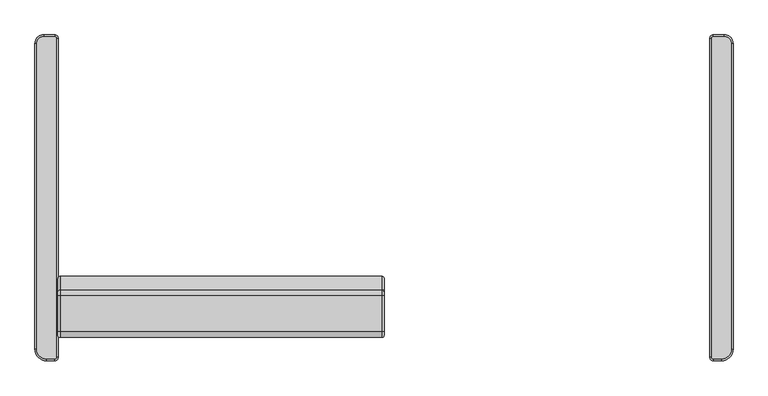
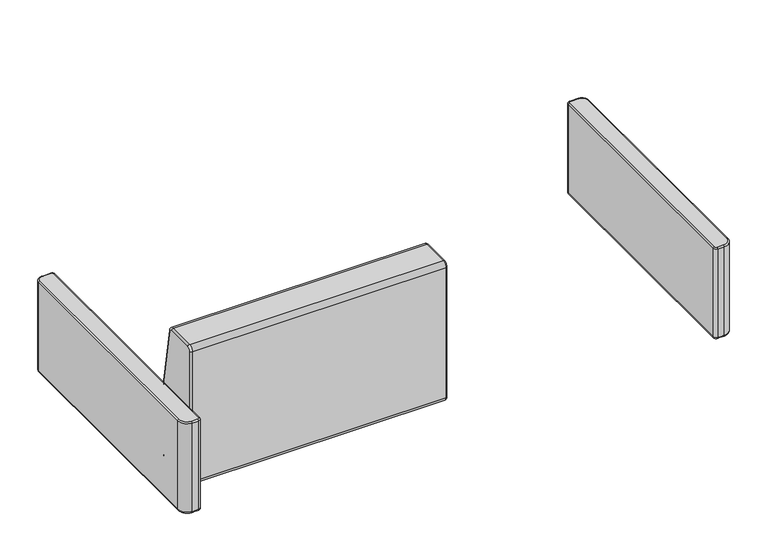
"""IFC4 building model written with IfcOpenShell, lengths in millimetres: furniture geometry."""

from ifc_helpers import new_model, si_unit, point, frame, origin, place, context, project, spatial, circle_curve, ellipse_curve, trimmed, source, transform, mapped, element, save
from ifc_brep_helpers import plane_surface, cylinder_surface, revolved_surface, advanced_brep


def furniture_845a343e(model_context):
    return source(origin(), model_context, "Body", "AdvancedBrep", [
        advanced_brep(
        [(-715.1646314, -347.967307, 584.1999879), (-715.1646314, 347.992693, 584.1999879), (-718.8135784, 351.6416401, 584.1999879), (-742.9390268, 351.6416401, 584.1999879), (-758.0179739, 336.562693, 584.1999879), (-758.0179739, -330.195514, 584.1999879), (-736.5972339, -351.616254, 584.1999879), (-718.8135784, -351.616254, 584.1999879), (-718.8135784, -351.616254, 317.4999879), (-736.5972339, -351.616254, 317.4999879), (-758.0179739, -330.195514, 317.4999879), (-758.0179739, 336.562693, 317.4999879), (-742.9390268, 351.6416401, 317.4999879), (-718.8135784, 351.6416401, 317.4999879), (-715.1646314, 347.992693, 317.4999879), (-715.1646314, -347.967307, 317.4999879), (-718.8135784, -355.587307, 321.4710409), (-711.1935784, -347.967307, 321.4710409), (-711.1935784, -347.967307, 580.2289349), (-718.8135784, -355.587307, 580.2289349), (-736.5972339, -355.587307, 321.4710409), (-736.5972339, -355.587307, 580.2289349), (-761.9890268, -330.195514, 321.4710409), (-761.9890268, -330.195514, 580.2289349), (-761.9890268, 336.562693, 321.4710409), (-761.9890268, 336.562693, 580.2289349), (-742.9390268, 355.612693, 321.4710409), (-742.9390268, 355.612693, 580.2289349), (-718.8135784, 355.612693, 321.4710409), (-718.8135784, 355.612693, 580.2289349), (-711.1935784, 347.992693, 321.4710409), (-711.1935784, 347.992693, 580.2289349)],
        [
            (0, 1),
            (1, 2, circle_curve(frame((-718.8135784, 347.992693, 584.1999879), z_axis=(0.0, 0.0, 1.0), x_axis=(0.0, 1.0, 0.0)), 3.648947)),
            (2, 3),
            (3, 4, circle_curve(frame((-742.9390268, 336.562693, 584.1999879), z_axis=(0.0, 0.0, 1.0), x_axis=(-1.0, 0.0, 0.0)), 15.078947)),
            (4, 5),
            (5, 6, circle_curve(frame((-736.5972339, -330.195514, 584.1999879), z_axis=(0.0, 0.0, 1.0), x_axis=(0.0, -1.0, 0.0)), 21.42074)),
            (6, 7),
            (7, 0, circle_curve(frame((-718.8135784, -347.967307, 584.1999879), z_axis=(0.0, 0.0, 1.0), x_axis=(1.0, 0.0, 0.0)), 3.648947)),
            (8, 9),
            (9, 10, circle_curve(frame((-736.5972339, -330.195514, 317.4999879), z_axis=(0.0, 0.0, -1.0), x_axis=(0.0, -1.0, 0.0)), 21.42074)),
            (10, 11),
            (11, 12, circle_curve(frame((-742.9390268, 336.562693, 317.4999879), z_axis=(0.0, 0.0, -1.0), x_axis=(-1.0, 0.0, 0.0)), 15.078947)),
            (12, 13),
            (13, 14, circle_curve(frame((-718.8135784, 347.992693, 317.4999879), z_axis=(0.0, 0.0, -1.0), x_axis=(0.0, 1.0, 0.0)), 3.648947)),
            (14, 15),
            (15, 8, circle_curve(frame((-718.8135784, -347.967307, 317.4999879), z_axis=(0.0, 0.0, -1.0), x_axis=(1.0, 0.0, 0.0)), 3.648947)),
            (16, 8, circle_curve(frame((-718.8135784, -351.616254, 321.4710409), z_axis=(1.0, 0.0, 0.0), x_axis=(0.0, 1.0, 0.0)), 3.971053)),
            (15, 17, circle_curve(frame((-715.1646314, -347.967307, 321.4710409), z_axis=(0.0, -1.0, 0.0), x_axis=(-1.0, 0.0, 0.0)), 3.971053)),
            (17, 16, circle_curve(frame((-718.8135784, -347.967307, 321.4710409), z_axis=(0.0, 0.0, -1.0), x_axis=(1.0, 0.0, 0.0)), 7.62)),
            (17, 18),
            (18, 19, circle_curve(frame((-718.8135784, -347.967307, 580.2289349), z_axis=(0.0, 0.0, -1.0), x_axis=(1.0, 0.0, 0.0)), 7.62)),
            (19, 16),
            (18, 0, circle_curve(frame((-715.1646314, -347.967307, 580.2289349), z_axis=(0.0, -1.0, 0.0), x_axis=(-1.0, 0.0, 0.0)), 3.971053)),
            (7, 19, circle_curve(frame((-718.8135784, -351.616254, 580.2289349), z_axis=(1.0, 0.0, 0.0), x_axis=(0.0, 1.0, 0.0)), 3.971053)),
            (16, 20),
            (20, 9, circle_curve(frame((-736.5972339, -351.616254, 321.4710409), z_axis=(1.0, 0.0, 0.0), x_axis=(0.0, 1.0, 0.0)), 3.971053)),
            (19, 21),
            (21, 20),
            (6, 21, circle_curve(frame((-736.5972339, -351.616254, 580.2289349), z_axis=(1.0, 0.0, 0.0), x_axis=(0.0, 1.0, 0.0)), 3.971053)),
            (20, 22, circle_curve(frame((-736.5972339, -330.195514, 321.4710409), z_axis=(0.0, 0.0, -1.0), x_axis=(0.0, -1.0, 0.0)), 25.3917929)),
            (22, 10, circle_curve(frame((-758.0179739, -330.195514, 321.4710409), z_axis=(0.0, -1.0, 0.0), x_axis=(1.0, 0.0, 0.0)), 3.971053)),
            (21, 23, circle_curve(frame((-736.5972339, -330.195514, 580.2289349), z_axis=(0.0, 0.0, -1.0), x_axis=(0.0, -1.0, 0.0)), 25.3917929)),
            (23, 22),
            (5, 23, circle_curve(frame((-758.0179739, -330.195514, 580.2289349), z_axis=(0.0, -1.0, 0.0), x_axis=(1.0, 0.0, 0.0)), 3.971053)),
            (22, 24),
            (24, 11, circle_curve(frame((-758.0179739, 336.562693, 321.4710409), z_axis=(0.0, -1.0, 0.0), x_axis=(1.0, 0.0, 0.0)), 3.971053)),
            (23, 25),
            (25, 24),
            (4, 25, circle_curve(frame((-758.0179739, 336.562693, 580.2289349), z_axis=(0.0, -1.0, 0.0), x_axis=(1.0, 0.0, 0.0)), 3.971053)),
            (24, 26, circle_curve(frame((-742.9390268, 336.562693, 321.4710409), z_axis=(0.0, 0.0, -1.0), x_axis=(-1.0, 0.0, 0.0)), 19.05)),
            (26, 12, circle_curve(frame((-742.9390268, 351.6416401, 321.4710409), z_axis=(-1.0, 0.0, 0.0), x_axis=(0.0, -1.0, 0.0)), 3.971053)),
            (25, 27, circle_curve(frame((-742.9390268, 336.562693, 580.2289349), z_axis=(0.0, 0.0, -1.0), x_axis=(-1.0, 0.0, 0.0)), 19.05)),
            (27, 26),
            (3, 27, circle_curve(frame((-742.9390268, 351.6416401, 580.2289349), z_axis=(-1.0, 0.0, 0.0), x_axis=(0.0, -1.0, 0.0)), 3.971053)),
            (26, 28),
            (28, 13, circle_curve(frame((-718.8135784, 351.6416401, 321.4710409), z_axis=(-1.0, 0.0, 0.0), x_axis=(0.0, -1.0, 0.0)), 3.971053)),
            (27, 29),
            (29, 28),
            (2, 29, circle_curve(frame((-718.8135784, 351.6416401, 580.2289349), z_axis=(-1.0, 0.0, 0.0), x_axis=(0.0, -1.0, 0.0)), 3.971053)),
            (28, 30, circle_curve(frame((-718.8135784, 347.992693, 321.4710409), z_axis=(0.0, 0.0, -1.0), x_axis=(0.0, 1.0, 0.0)), 7.62)),
            (30, 14, circle_curve(frame((-715.1646314, 347.992693, 321.4710409), z_axis=(0.0, 1.0, 0.0), x_axis=(-1.0, 0.0, 0.0)), 3.971053)),
            (29, 31, circle_curve(frame((-718.8135784, 347.992693, 580.2289349), z_axis=(0.0, 0.0, -1.0), x_axis=(0.0, 1.0, 0.0)), 7.62)),
            (31, 30),
            (1, 31, circle_curve(frame((-715.1646314, 347.992693, 580.2289349), z_axis=(0.0, 1.0, 0.0), x_axis=(-1.0, 0.0, 0.0)), 3.971053)),
            (30, 17),
            (31, 18),
        ],
        [
            plane_surface(frame((-715.1764939, -330.195514, 584.1999879), z_axis=(0.0, 0.0, 1.0), x_axis=(0.0, -1.0, 0.0))),
            plane_surface(frame((-715.1764939, -330.195514, 317.4999879), z_axis=(0.0, 0.0, -1.0), x_axis=(0.0, 1.0, 0.0))),
            revolved_surface(trimmed(ellipse_curve(frame((-715.1646314, -347.967307, 321.4710409), z_axis=(0.0, -1.0, 0.0), x_axis=(-1.0, 0.0, 0.0)), 3.971053, 3.971053), [point((-715.1646314, -347.967307, 317.4999879))], [point((-711.1935784, -347.967307, 321.4710409))], True, "CARTESIAN"), (-718.8135784, -347.967307, 581.025), (0.0, 0.0, 1.0)),
            cylinder_surface(frame((-718.8135784, -347.967307, 581.025), z_axis=(0.0, 0.0, 1.0), x_axis=(1.0, 0.0, 0.0)), 7.62),
            revolved_surface(trimmed(ellipse_curve(frame((-715.1646314, -347.967307, 580.2289349), z_axis=(0.0, -1.0, 0.0), x_axis=(-1.0, 0.0, 0.0)), 3.971053, 3.971053), [point((-711.1935784, -347.967307, 580.2289349))], [point((-715.1646314, -347.967307, 584.1999879))], True, "CARTESIAN"), (-718.8135784, -347.967307, 581.025), (0.0, 0.0, 1.0)),
            cylinder_surface(frame((-718.8135784, -351.616254, 321.4710409), z_axis=(1.0, 0.0, 0.0), x_axis=(0.0, 1.0, 0.0)), 3.971053),
            plane_surface(frame((-718.8135784, -355.587307, 321.4710409), z_axis=(0.0, -1.0, 0.0), x_axis=(-1.0, 0.0, 0.0))),
            cylinder_surface(frame((-718.8135784, -351.616254, 580.2289349), z_axis=(1.0, 0.0, 0.0), x_axis=(0.0, 1.0, 0.0)), 3.971053),
            revolved_surface(trimmed(ellipse_curve(frame((-736.5972339, -351.616254, 321.4710409), z_axis=(-1.0, 0.0, 0.0), x_axis=(0.0, 1.0, 0.0)), 3.971053, 3.971053), [point((-736.5972339, -351.616254, 317.4999879))], [point((-736.5972339, -355.587307, 321.4710409))], True, "CARTESIAN"), (-736.5972339, -330.195514, 581.025), (0.0, 0.0, 1.0)),
            cylinder_surface(frame((-736.5972339, -330.195514, 581.025), z_axis=(0.0, 0.0, 1.0), x_axis=(0.0, -1.0, 0.0)), 25.3917929),
            revolved_surface(trimmed(ellipse_curve(frame((-736.5972339, -351.616254, 580.2289349), z_axis=(-1.0, 0.0, 0.0), x_axis=(0.0, 1.0, 0.0)), 3.971053, 3.971053), [point((-736.5972339, -355.587307, 580.2289349))], [point((-736.5972339, -351.616254, 584.1999879))], True, "CARTESIAN"), (-736.5972339, -330.195514, 581.025), (0.0, 0.0, 1.0)),
            cylinder_surface(frame((-758.0179739, -330.195514, 321.4710409), z_axis=(0.0, -1.0, 0.0), x_axis=(1.0, 0.0, 0.0)), 3.971053),
            plane_surface(frame((-761.9890268, -330.195514, 321.4710409), z_axis=(-1.0, 0.0, 0.0), x_axis=(0.0, 1.0, 0.0))),
            cylinder_surface(frame((-758.0179739, -330.195514, 580.2289349), z_axis=(0.0, -1.0, 0.0), x_axis=(1.0, 0.0, 0.0)), 3.971053),
            revolved_surface(trimmed(ellipse_curve(frame((-758.0179739, 336.562693, 321.4710409), z_axis=(0.0, 1.0, 0.0), x_axis=(1.0, 0.0, 0.0)), 3.971053, 3.971053), [point((-758.0179739, 336.562693, 317.4999879))], [point((-761.9890268, 336.562693, 321.4710409))], True, "CARTESIAN"), (-742.9390268, 336.562693, 581.025), (0.0, 0.0, 1.0)),
            cylinder_surface(frame((-742.9390268, 336.562693, 581.025), z_axis=(0.0, 0.0, 1.0), x_axis=(-1.0, 0.0, 0.0)), 19.05),
            revolved_surface(trimmed(ellipse_curve(frame((-758.0179739, 336.562693, 580.2289349), z_axis=(0.0, 1.0, 0.0), x_axis=(1.0, 0.0, 0.0)), 3.971053, 3.971053), [point((-761.9890268, 336.562693, 580.2289349))], [point((-758.0179739, 336.562693, 584.1999879))], True, "CARTESIAN"), (-742.9390268, 336.562693, 581.025), (0.0, 0.0, 1.0)),
            cylinder_surface(frame((-742.9390268, 351.6416401, 321.4710409), z_axis=(-1.0, 0.0, 0.0), x_axis=(0.0, -1.0, 0.0)), 3.971053),
            plane_surface(frame((-742.9390268, 355.612693, 321.4710409), z_axis=(0.0, 1.0, 0.0), x_axis=(1.0, 0.0, 0.0))),
            cylinder_surface(frame((-742.9390268, 351.6416401, 580.2289349), z_axis=(-1.0, 0.0, 0.0), x_axis=(0.0, -1.0, 0.0)), 3.971053),
            revolved_surface(trimmed(ellipse_curve(frame((-718.8135784, 351.6416401, 321.4710409), z_axis=(1.0, 0.0, 0.0), x_axis=(0.0, -1.0, 0.0)), 3.971053, 3.971053), [point((-718.8135784, 351.6416401, 317.4999879))], [point((-718.8135784, 355.612693, 321.4710409))], True, "CARTESIAN"), (-718.8135784, 347.992693, 581.025), (0.0, 0.0, 1.0)),
            cylinder_surface(frame((-718.8135784, 347.992693, 581.025), z_axis=(0.0, 0.0, 1.0), x_axis=(0.0, 1.0, 0.0)), 7.62),
            revolved_surface(trimmed(ellipse_curve(frame((-718.8135784, 351.6416401, 580.2289349), z_axis=(1.0, 0.0, 0.0), x_axis=(0.0, -1.0, 0.0)), 3.971053, 3.971053), [point((-718.8135784, 355.612693, 580.2289349))], [point((-718.8135784, 351.6416401, 584.1999879))], True, "CARTESIAN"), (-718.8135784, 347.992693, 581.025), (0.0, 0.0, 1.0)),
            cylinder_surface(frame((-715.1646314, 347.992693, 321.4710409), z_axis=(0.0, 1.0, 0.0), x_axis=(-1.0, 0.0, 0.0)), 3.971053),
            plane_surface(frame((-711.1935784, 347.992693, 321.4710409), z_axis=(1.0, 0.0, 0.0), x_axis=(0.0, -1.0, 0.0))),
            cylinder_surface(frame((-715.1646314, 347.992693, 580.2289349), z_axis=(0.0, 1.0, 0.0), x_axis=(-1.0, 0.0, 0.0)), 3.971053),
        ],
        [
            (0, [[1, 2, 3, 4, 5, 6, 7, 8]]),
            (1, [[9, 10, 11, 12, 13, 14, 15, 16]]),
            (2, [[17, -16, 18, 19]]),
            (3, [[20, 21, 22, -19]]),
            (4, [[23, -8, 24, -21]]),
            (5, [[25, 26, -9, -17]]),
            (6, [[27, 28, -25, -22]]),
            (7, [[-7, 29, -27, -24]]),
            (8, [[30, 31, -10, -26]]),
            (9, [[32, 33, -30, -28]]),
            (10, [[-6, 34, -32, -29]]),
            (11, [[35, 36, -11, -31]]),
            (12, [[37, 38, -35, -33]]),
            (13, [[-5, 39, -37, -34]]),
            (14, [[40, 41, -12, -36]]),
            (15, [[42, 43, -40, -38]]),
            (16, [[-4, 44, -42, -39]]),
            (17, [[45, 46, -13, -41]]),
            (18, [[47, 48, -45, -43]]),
            (19, [[-3, 49, -47, -44]]),
            (20, [[50, 51, -14, -46]]),
            (21, [[52, 53, -50, -48]]),
            (22, [[-2, 54, -52, -49]]),
            (23, [[-15, -51, 55, -18]]),
            (24, [[-55, -53, 56, -20]]),
            (25, [[-56, -54, -1, -23]]),
        ],
    ),
        advanced_brep(
        [(718.8135784, -351.616254, 584.1999879), (736.5972339, -351.616254, 584.1999879), (758.0179739, -330.195514, 584.1999879), (758.0179739, 336.562693, 584.1999879), (742.9390268, 351.6416401, 584.1999879), (718.8135784, 351.6416401, 584.1999879), (715.1646314, 347.992693, 584.1999879), (715.1646314, -347.967307, 584.1999879), (715.1646314, -347.967307, 317.4999879), (715.1646314, 347.992693, 317.4999879), (718.8135784, 351.6416401, 317.4999879), (742.9390268, 351.6416401, 317.4999879), (758.0179739, 336.562693, 317.4999879), (758.0179739, -330.195514, 317.4999879), (736.5972339, -351.616254, 317.4999879), (718.8135784, -351.616254, 317.4999879), (718.8135784, -355.587307, 321.4710409), (711.1935784, -347.967307, 321.4710409), (718.8135784, -355.587307, 580.2289349), (711.1935784, -347.967307, 580.2289349), (736.5972339, -355.587307, 321.4710409), (736.5972339, -355.587307, 580.2289349), (761.9890268, -330.195514, 321.4710409), (761.9890268, -330.195514, 580.2289349), (761.9890268, 336.562693, 321.4710409), (761.9890268, 336.562693, 580.2289349), (742.9390268, 355.612693, 321.4710409), (742.9390268, 355.612693, 580.2289349), (718.8135784, 355.612693, 321.4710409), (718.8135784, 355.612693, 580.2289349), (711.1935784, 347.992693, 321.4710409), (711.1935784, 347.992693, 580.2289349)],
        [
            (0, 1),
            (1, 2, circle_curve(frame((736.5972339, -330.195514, 584.1999879), z_axis=(0.0, 0.0, 1.0), x_axis=(0.0, -1.0, 0.0)), 21.42074)),
            (2, 3),
            (3, 4, circle_curve(frame((742.9390268, 336.562693, 584.1999879), z_axis=(0.0, 0.0, 1.0), x_axis=(1.0, 0.0, 0.0)), 15.078947)),
            (4, 5),
            (5, 6, circle_curve(frame((718.8135784, 347.992693, 584.1999879), z_axis=(0.0, 0.0, 1.0), x_axis=(0.0, 1.0, 0.0)), 3.648947)),
            (6, 7),
            (7, 0, circle_curve(frame((718.8135784, -347.967307, 584.1999879), z_axis=(0.0, 0.0, 1.0), x_axis=(-1.0, 0.0, 0.0)), 3.648947)),
            (8, 9),
            (9, 10, circle_curve(frame((718.8135784, 347.992693, 317.4999879), z_axis=(0.0, 0.0, -1.0), x_axis=(0.0, 1.0, 0.0)), 3.648947)),
            (10, 11),
            (11, 12, circle_curve(frame((742.9390268, 336.562693, 317.4999879), z_axis=(0.0, 0.0, -1.0), x_axis=(1.0, 0.0, 0.0)), 15.078947)),
            (12, 13),
            (13, 14, circle_curve(frame((736.5972339, -330.195514, 317.4999879), z_axis=(0.0, 0.0, -1.0), x_axis=(0.0, -1.0, 0.0)), 21.42074)),
            (14, 15),
            (15, 8, circle_curve(frame((718.8135784, -347.967307, 317.4999879), z_axis=(0.0, 0.0, -1.0), x_axis=(-1.0, 0.0, 0.0)), 3.648947)),
            (15, 16, circle_curve(frame((718.8135784, -351.616254, 321.4710409), z_axis=(-1.0, 0.0, 0.0), x_axis=(0.0, -1.0, 0.0)), 3.971053)),
            (16, 17, circle_curve(frame((718.8135784, -347.967307, 321.4710409), z_axis=(0.0, 0.0, -1.0), x_axis=(-1.0, 0.0, 0.0)), 7.62)),
            (17, 8, circle_curve(frame((715.1646314, -347.967307, 321.4710409), z_axis=(0.0, -1.0, 0.0), x_axis=(-1.0, 0.0, 0.0)), 3.971053)),
            (16, 18),
            (18, 19, circle_curve(frame((718.8135784, -347.967307, 580.2289349), z_axis=(0.0, 0.0, -1.0), x_axis=(-1.0, 0.0, 0.0)), 7.62)),
            (19, 17),
            (18, 0, circle_curve(frame((718.8135784, -351.616254, 580.2289349), z_axis=(-1.0, 0.0, 0.0), x_axis=(0.0, -1.0, 0.0)), 3.971053)),
            (7, 19, circle_curve(frame((715.1646314, -347.967307, 580.2289349), z_axis=(0.0, -1.0, 0.0), x_axis=(-1.0, 0.0, 0.0)), 3.971053)),
            (14, 20, circle_curve(frame((736.5972339, -351.616254, 321.4710409), z_axis=(-1.0, 0.0, 0.0), x_axis=(0.0, -1.0, 0.0)), 3.971053)),
            (20, 16),
            (20, 21),
            (21, 18),
            (21, 1, circle_curve(frame((736.5972339, -351.616254, 580.2289349), z_axis=(-1.0, 0.0, 0.0), x_axis=(0.0, -1.0, 0.0)), 3.971053)),
            (13, 22, circle_curve(frame((758.0179739, -330.195514, 321.4710409), z_axis=(0.0, -1.0, 0.0), x_axis=(1.0, 0.0, 0.0)), 3.971053)),
            (22, 20, circle_curve(frame((736.5972339, -330.195514, 321.4710409), z_axis=(0.0, 0.0, -1.0), x_axis=(0.0, -1.0, 0.0)), 25.3917929)),
            (22, 23),
            (23, 21, circle_curve(frame((736.5972339, -330.195514, 580.2289349), z_axis=(0.0, 0.0, -1.0), x_axis=(0.0, -1.0, 0.0)), 25.3917929)),
            (23, 2, circle_curve(frame((758.0179739, -330.195514, 580.2289349), z_axis=(0.0, -1.0, 0.0), x_axis=(1.0, 0.0, 0.0)), 3.971053)),
            (12, 24, circle_curve(frame((758.0179739, 336.562693, 321.4710409), z_axis=(0.0, -1.0, 0.0), x_axis=(1.0, 0.0, 0.0)), 3.971053)),
            (24, 22),
            (24, 25),
            (25, 23),
            (25, 3, circle_curve(frame((758.0179739, 336.562693, 580.2289349), z_axis=(0.0, -1.0, 0.0), x_axis=(1.0, 0.0, 0.0)), 3.971053)),
            (11, 26, circle_curve(frame((742.9390268, 351.6416401, 321.4710409), z_axis=(1.0, 0.0, 0.0), x_axis=(0.0, 1.0, 0.0)), 3.971053)),
            (26, 24, circle_curve(frame((742.9390268, 336.562693, 321.4710409), z_axis=(0.0, 0.0, -1.0), x_axis=(1.0, 0.0, 0.0)), 19.05)),
            (26, 27),
            (27, 25, circle_curve(frame((742.9390268, 336.562693, 580.2289349), z_axis=(0.0, 0.0, -1.0), x_axis=(1.0, 0.0, 0.0)), 19.05)),
            (27, 4, circle_curve(frame((742.9390268, 351.6416401, 580.2289349), z_axis=(1.0, 0.0, 0.0), x_axis=(0.0, 1.0, 0.0)), 3.971053)),
            (10, 28, circle_curve(frame((718.8135784, 351.6416401, 321.4710409), z_axis=(1.0, 0.0, 0.0), x_axis=(0.0, 1.0, 0.0)), 3.971053)),
            (28, 26),
            (28, 29),
            (29, 27),
            (29, 5, circle_curve(frame((718.8135784, 351.6416401, 580.2289349), z_axis=(1.0, 0.0, 0.0), x_axis=(0.0, 1.0, 0.0)), 3.971053)),
            (9, 30, circle_curve(frame((715.1646314, 347.992693, 321.4710409), z_axis=(0.0, 1.0, 0.0), x_axis=(-1.0, 0.0, 0.0)), 3.971053)),
            (30, 28, circle_curve(frame((718.8135784, 347.992693, 321.4710409), z_axis=(0.0, 0.0, -1.0), x_axis=(0.0, 1.0, 0.0)), 7.62)),
            (30, 31),
            (31, 29, circle_curve(frame((718.8135784, 347.992693, 580.2289349), z_axis=(0.0, 0.0, -1.0), x_axis=(0.0, 1.0, 0.0)), 7.62)),
            (31, 6, circle_curve(frame((715.1646314, 347.992693, 580.2289349), z_axis=(0.0, 1.0, 0.0), x_axis=(-1.0, 0.0, 0.0)), 3.971053)),
            (17, 30),
            (19, 31),
        ],
        [
            plane_surface(frame((736.5972339, -351.616254, 584.1999879), z_axis=(0.0, 0.0, 1.0), x_axis=(-1.0, 0.0, 0.0))),
            plane_surface(frame((736.5972339, -351.616254, 317.4999879), z_axis=(0.0, 0.0, -1.0), x_axis=(1.0, 0.0, 0.0))),
            revolved_surface(trimmed(ellipse_curve(frame((715.1646314, -347.967307, 321.4710409), z_axis=(0.0, -1.0, 0.0), x_axis=(-1.0, 0.0, 0.0)), 3.971053, 3.971053), [point((711.1935784, -347.967307, 321.4710409))], [point((715.1646314, -347.967307, 317.4999879))], True, "CARTESIAN"), (718.8135784, -347.967307, 581.025), (0.0, 0.0, -1.0)),
            cylinder_surface(frame((718.8135784, -347.967307, 581.025), z_axis=(0.0, 0.0, -1.0), x_axis=(-1.0, 0.0, 0.0)), 7.62),
            revolved_surface(trimmed(ellipse_curve(frame((715.1646314, -347.967307, 580.2289349), z_axis=(0.0, -1.0, 0.0), x_axis=(-1.0, 0.0, 0.0)), 3.971053, 3.971053), [point((715.1646314, -347.967307, 584.1999879))], [point((711.1935784, -347.967307, 580.2289349))], True, "CARTESIAN"), (718.8135784, -347.967307, 581.025), (0.0, 0.0, -1.0)),
            cylinder_surface(frame((718.8135784, -351.616254, 321.4710409), z_axis=(-1.0, 0.0, 0.0), x_axis=(0.0, -1.0, 0.0)), 3.971053),
            plane_surface(frame((718.8135784, -355.587307, 580.2289349), z_axis=(0.0, -1.0, 0.0), x_axis=(1.0, 0.0, 0.0))),
            cylinder_surface(frame((718.8135784, -351.616254, 580.2289349), z_axis=(-1.0, 0.0, 0.0), x_axis=(0.0, -1.0, 0.0)), 3.971053),
            revolved_surface(trimmed(ellipse_curve(frame((736.5972339, -351.616254, 321.4710409), z_axis=(1.0, 0.0, 0.0), x_axis=(0.0, -1.0, 0.0)), 3.971053, 3.971053), [point((736.5972339, -355.587307, 321.4710409))], [point((736.5972339, -351.616254, 317.4999879))], True, "CARTESIAN"), (736.5972339, -330.195514, 581.025), (0.0, 0.0, -1.0)),
            cylinder_surface(frame((736.5972339, -330.195514, 581.025), z_axis=(0.0, 0.0, -1.0), x_axis=(0.0, -1.0, 0.0)), 25.3917929),
            revolved_surface(trimmed(ellipse_curve(frame((736.5972339, -351.616254, 580.2289349), z_axis=(1.0, 0.0, 0.0), x_axis=(0.0, -1.0, 0.0)), 3.971053, 3.971053), [point((736.5972339, -351.616254, 584.1999879))], [point((736.5972339, -355.587307, 580.2289349))], True, "CARTESIAN"), (736.5972339, -330.195514, 581.025), (0.0, 0.0, -1.0)),
            cylinder_surface(frame((758.0179739, -330.195514, 321.4710409), z_axis=(0.0, -1.0, 0.0), x_axis=(1.0, 0.0, 0.0)), 3.971053),
            plane_surface(frame((761.9890268, -330.195514, 580.2289349), z_axis=(1.0, 0.0, 0.0), x_axis=(0.0, 1.0, 0.0))),
            cylinder_surface(frame((758.0179739, -330.195514, 580.2289349), z_axis=(0.0, -1.0, 0.0), x_axis=(1.0, 0.0, 0.0)), 3.971053),
            revolved_surface(trimmed(ellipse_curve(frame((758.0179739, 336.562693, 321.4710409), z_axis=(0.0, 1.0, 0.0), x_axis=(1.0, 0.0, 0.0)), 3.971053, 3.971053), [point((761.9890268, 336.562693, 321.4710409))], [point((758.0179739, 336.562693, 317.4999879))], True, "CARTESIAN"), (742.9390268, 336.562693, 581.025), (0.0, 0.0, -1.0)),
            cylinder_surface(frame((742.9390268, 336.562693, 581.025), z_axis=(0.0, 0.0, -1.0), x_axis=(1.0, 0.0, 0.0)), 19.05),
            revolved_surface(trimmed(ellipse_curve(frame((758.0179739, 336.562693, 580.2289349), z_axis=(0.0, 1.0, 0.0), x_axis=(1.0, 0.0, 0.0)), 3.971053, 3.971053), [point((758.0179739, 336.562693, 584.1999879))], [point((761.9890268, 336.562693, 580.2289349))], True, "CARTESIAN"), (742.9390268, 336.562693, 581.025), (0.0, 0.0, -1.0)),
            cylinder_surface(frame((742.9390268, 351.6416401, 321.4710409), z_axis=(1.0, 0.0, 0.0), x_axis=(0.0, 1.0, 0.0)), 3.971053),
            plane_surface(frame((742.9390268, 355.612693, 580.2289349), z_axis=(0.0, 1.0, 0.0), x_axis=(-1.0, 0.0, 0.0))),
            cylinder_surface(frame((742.9390268, 351.6416401, 580.2289349), z_axis=(1.0, 0.0, 0.0), x_axis=(0.0, 1.0, 0.0)), 3.971053),
            revolved_surface(trimmed(ellipse_curve(frame((718.8135784, 351.6416401, 321.4710409), z_axis=(-1.0, 0.0, 0.0), x_axis=(0.0, 1.0, 0.0)), 3.971053, 3.971053), [point((718.8135784, 355.612693, 321.4710409))], [point((718.8135784, 351.6416401, 317.4999879))], True, "CARTESIAN"), (718.8135784, 347.992693, 581.025), (0.0, 0.0, -1.0)),
            cylinder_surface(frame((718.8135784, 347.992693, 581.025), z_axis=(0.0, 0.0, -1.0), x_axis=(0.0, 1.0, 0.0)), 7.62),
            revolved_surface(trimmed(ellipse_curve(frame((718.8135784, 351.6416401, 580.2289349), z_axis=(-1.0, 0.0, 0.0), x_axis=(0.0, 1.0, 0.0)), 3.971053, 3.971053), [point((718.8135784, 351.6416401, 584.1999879))], [point((718.8135784, 355.612693, 580.2289349))], True, "CARTESIAN"), (718.8135784, 347.992693, 581.025), (0.0, 0.0, -1.0)),
            cylinder_surface(frame((715.1646314, 347.992693, 321.4710409), z_axis=(0.0, 1.0, 0.0), x_axis=(-1.0, 0.0, 0.0)), 3.971053),
            plane_surface(frame((711.1935784, 347.992693, 580.2289349), z_axis=(-1.0, 0.0, 0.0), x_axis=(0.0, -1.0, 0.0))),
            cylinder_surface(frame((715.1646314, 347.992693, 580.2289349), z_axis=(0.0, 1.0, 0.0), x_axis=(-1.0, 0.0, 0.0)), 3.971053),
        ],
        [
            (0, [[1, 2, 3, 4, 5, 6, 7, 8]]),
            (1, [[9, 10, 11, 12, 13, 14, 15, 16]]),
            (2, [[-16, 17, 18, 19]]),
            (3, [[20, 21, 22, -18]]),
            (4, [[23, -8, 24, -21]]),
            (5, [[-15, 25, 26, -17]]),
            (6, [[-26, 27, 28, -20]]),
            (7, [[-28, 29, -1, -23]]),
            (8, [[-14, 30, 31, -25]]),
            (9, [[-31, 32, 33, -27]]),
            (10, [[-33, 34, -2, -29]]),
            (11, [[-13, 35, 36, -30]]),
            (12, [[-36, 37, 38, -32]]),
            (13, [[-38, 39, -3, -34]]),
            (14, [[-12, 40, 41, -35]]),
            (15, [[-41, 42, 43, -37]]),
            (16, [[-43, 44, -4, -39]]),
            (17, [[-11, 45, 46, -40]]),
            (18, [[-46, 47, 48, -42]]),
            (19, [[-48, 49, -5, -44]]),
            (20, [[-10, 50, 51, -45]]),
            (21, [[-51, 52, 53, -47]]),
            (22, [[-53, 54, -6, -49]]),
            (23, [[55, -50, -9, -19]]),
            (24, [[56, -52, -55, -22]]),
            (25, [[-7, -54, -56, -24]]),
        ],
    ),
        advanced_brep(
        [(-711.8064569, -300.1899767, 749.1899478), (-707.1959976, -304.800436, 749.1899478), (-707.1959976, -292.100436, 761.8899478), (-711.8064569, -292.100436, 757.2794885), (-4.572, -304.800436, 749.1899478), (-4.572, -292.100436, 761.8899478), (-711.8064569, -300.1899767, 368.2390955), (-707.1959976, -304.800436, 368.2390955), (-4.572, -304.800436, 368.2390955), (-711.8064569, -292.100436, 360.1495548), (-707.1959976, -292.100436, 355.5390955), (-4.572, -292.100436, 355.5390955), (-711.8064569, -184.150436, 360.1495548), (-707.1959976, -184.150436, 355.5390955), (-4.572, -184.150436, 355.5390955), (-711.8064569, -176.0608953, 368.2390955), (-707.1959976, -171.450436, 368.2390955), (-4.572, -171.450436, 368.2390955), (-178.1023595, -176.8088949, 357.8760952), (-177.8011627, -178.0348284, 357.1085364), (-177.499966, -176.8088949, 357.8760952), (-355.9023595, -176.8088949, 357.8760952), (-355.6011627, -178.0348284, 357.1085364), (-355.299966, -176.8088949, 357.8760952), (-533.7023595, -176.8088949, 357.8760952), (-533.4011627, -178.0348284, 357.1085364), (-533.099966, -176.8088949, 357.8760952), (-711.8064569, -176.0608953, 586.9446216), (-707.1959976, -171.450436, 587.3479845), (-4.572, -171.450436, 587.3479845), (-711.8064569, -204.9168164, 750.5946818), (-707.1959976, -200.3764003, 751.3952797), (-4.572, -200.3764003, 751.3952797), (-711.8064569, -212.8834587, 757.2794885), (-707.1959976, -212.8834587, 761.8899478), (-4.572, -212.8834587, 761.8899478), (0.0, -292.100436, 757.3179478), (0.0, -300.228436, 749.1899478), (0.0, -300.228436, 368.2390955), (0.0, -292.100436, 360.1110955), (0.0, -184.150436, 360.1110955), (0.0, -176.022436, 368.2390955), (0.0, -176.022436, 586.9479863), (0.0, -204.8789413, 750.6013602), (0.0, -212.8834587, 757.3179478), (-177.8011627, -178.0348284, 357.8760952), (-355.6011627, -178.0348284, 357.8760952), (-533.4011627, -178.0348284, 357.8760952)],
        [
            (0, 1, circle_curve(frame((-707.1959976, -300.1899767, 749.1899478), z_axis=(0.0, 0.0, 1.0), x_axis=(0.0, -1.0, 0.0)), 4.6104593)),
            (1, 2, circle_curve(frame((-707.1959976, -292.100436, 749.1899478), z_axis=(-1.0, 0.0, 0.0), x_axis=(0.0, 0.0, 1.0)), 12.7)),
            (2, 3, circle_curve(frame((-707.1959976, -292.100436, 757.2794885), z_axis=(0.0, -1.0, 0.0), x_axis=(0.0, 0.0, 1.0)), 4.6104593)),
            (3, 0, circle_curve(frame((-711.8064569, -292.100436, 749.1899478), z_axis=(1.0, 0.0, 0.0), x_axis=(0.0, 0.0, 1.0)), 8.0895407)),
            (1, 4),
            (4, 5, circle_curve(frame((-4.572, -292.100436, 749.1899478), z_axis=(-1.0, 0.0, 0.0), x_axis=(0.0, 0.0, 1.0)), 12.7)),
            (5, 2),
            (0, 6),
            (6, 7, circle_curve(frame((-707.1959976, -300.1899767, 368.2390955), z_axis=(0.0, 0.0, 1.0), x_axis=(0.0, -1.0, 0.0)), 4.6104593)),
            (7, 1),
            (7, 8),
            (8, 4),
            (6, 9, circle_curve(frame((-711.8064569, -292.100436, 368.2390955), z_axis=(1.0, 0.0, 0.0), x_axis=(0.0, -1.0, 0.0)), 8.0895407)),
            (9, 10, circle_curve(frame((-707.1959976, -292.100436, 360.1495548), z_axis=(0.0, -1.0, 0.0), x_axis=(0.0, 0.0, -1.0)), 4.6104593)),
            (10, 7, circle_curve(frame((-707.1959976, -292.100436, 368.2390955), z_axis=(-1.0, 0.0, 0.0), x_axis=(0.0, -1.0, 0.0)), 12.7)),
            (10, 11),
            (11, 8, circle_curve(frame((-4.572, -292.100436, 368.2390955), z_axis=(-1.0, 0.0, 0.0), x_axis=(0.0, -1.0, 0.0)), 12.7)),
            (9, 12),
            (12, 13, circle_curve(frame((-707.1959976, -184.150436, 360.1495548), z_axis=(0.0, -1.0, 0.0), x_axis=(0.0, 0.0, -1.0)), 4.6104593)),
            (13, 10),
            (13, 14),
            (14, 11),
            (12, 15, circle_curve(frame((-711.8064569, -184.150436, 368.2390955), z_axis=(1.0, 0.0, 0.0), x_axis=(0.0, 0.0, -1.0)), 8.0895407)),
            (15, 16, circle_curve(frame((-707.1959976, -176.0608953, 368.2390955), z_axis=(0.0, 0.0, -1.0), x_axis=(0.0, 1.0, 0.0)), 4.6104593)),
            (16, 13, circle_curve(frame((-707.1959976, -184.150436, 368.2390955), z_axis=(-1.0, 0.0, 0.0), x_axis=(0.0, 0.0, -1.0)), 12.7)),
            (16, 17),
            (17, 14, circle_curve(frame((-4.572, -184.150436, 368.2390955), z_axis=(-1.0, 0.0, 0.0), x_axis=(0.0, 0.0, -1.0)), 12.7)),
            (18, 19, ellipse_curve(frame((-176.2986333, -184.150436, 368.2390955), z_axis=(-0.9711198537066649, -0.23859218289111192, 0.0), x_axis=(-0.23859218289111164, 0.971119853706665, 0.0)), 13.0776855, 12.7)),
            (19, 20, ellipse_curve(frame((-179.3036922, -184.150436, 368.2390955), z_axis=(0.9711198537066593, -0.23859218289113482, 0.0), x_axis=(-0.23859218289113468, -0.9711198537066593, 0.0)), 13.0776855, 12.7)),
            (20, 18),
            (21, 22, ellipse_curve(frame((-354.0986333, -184.150436, 368.2390955), z_axis=(-0.9711198537066924, -0.23859218289100023, 0.0), x_axis=(-0.2385921828909995, 0.9711198537066925, 0.0)), 13.0776855, 12.7)),
            (22, 23, ellipse_curve(frame((-357.1036922, -184.150436, 368.2390955), z_axis=(0.9711198537066863, -0.23859218289102516, 0.0), x_axis=(-0.2385921828910247, -0.9711198537066863, 0.0)), 13.0776855, 12.7)),
            (23, 21),
            (24, 25, ellipse_curve(frame((-531.8986333, -184.150436, 368.2390955), z_axis=(-0.9711198537066706, -0.2385921828910884, 0.0), x_axis=(-0.23859218289108816, 0.9711198537066708, 0.0)), 13.0776855, 12.7)),
            (25, 26, ellipse_curve(frame((-534.9036922, -184.150436, 368.2390955), z_axis=(0.9711198537066882, -0.23859218289101738, 0.0), x_axis=(-0.23859218289101716, -0.9711198537066882, 0.0)), 13.0776855, 12.7)),
            (26, 24),
            (15, 27),
            (27, 28, ellipse_curve(frame((-707.1959976, -176.0608953, 586.9446216), z_axis=(0.0, 0.08715574274765643, -0.9961946980917458), x_axis=(0.0, -0.9961946980917458, -0.08715574274765407)), 4.6280705, 4.6104593)),
            (28, 16),
            (28, 29),
            (29, 17),
            (27, 30),
            (30, 31, circle_curve(frame((-707.1959976, -204.9168164, 750.5946818), z_axis=(0.0, 0.17364817766692853, -0.9848077530122085), x_axis=(0.0, 0.9848077530122085, 0.17364817766692853)), 4.6104593)),
            (31, 28),
            (31, 32),
            (32, 29),
            (30, 33, circle_curve(frame((-711.8064569, -212.8834587, 749.1899478), z_axis=(1.0, 0.0, 0.0), x_axis=(0.0, 0.9848077530122081, 0.17364817766692994)), 8.0895407)),
            (33, 34, circle_curve(frame((-707.1959976, -212.8834587, 757.2794885), z_axis=(0.0, 1.0, 0.0), x_axis=(0.0, 0.0, 1.0)), 4.6104593)),
            (34, 31, circle_curve(frame((-707.1959976, -212.8834587, 749.1899478), z_axis=(-1.0, 0.0, 0.0), x_axis=(0.0, 0.9848077530122081, 0.17364817766692994)), 12.7)),
            (34, 35),
            (35, 32, circle_curve(frame((-4.572, -212.8834587, 749.1899478), z_axis=(-1.0, 0.0, 0.0), x_axis=(0.0, 0.9848077530122081, 0.17364817766692994)), 12.7)),
            (3, 33),
            (2, 34),
            (5, 35),
            (36, 37, circle_curve(frame((0.0, -292.100436, 749.1899478), z_axis=(1.0, 0.0, 0.0), x_axis=(0.0, 0.0, 1.0)), 8.128)),
            (37, 38),
            (38, 39, circle_curve(frame((0.0, -292.100436, 368.2390955), z_axis=(1.0, 0.0, 0.0), x_axis=(0.0, -1.0, 0.0)), 8.128)),
            (39, 40),
            (40, 41, circle_curve(frame((0.0, -184.150436, 368.2390955), z_axis=(1.0, 0.0, 0.0), x_axis=(0.0, 0.0, -1.0)), 8.128)),
            (41, 42),
            (42, 43),
            (43, 44, circle_curve(frame((0.0, -212.8834587, 749.1899478), z_axis=(1.0, 0.0, 0.0), x_axis=(0.0, 0.9848077530122081, 0.17364817766692994)), 8.128)),
            (44, 36),
            (4, 37, circle_curve(frame((-4.572, -300.228436, 749.1899478), z_axis=(0.0, 0.0, 1.0), x_axis=(0.0, -1.0, 0.0)), 4.572)),
            (36, 5, circle_curve(frame((-4.572, -292.100436, 757.3179478), z_axis=(0.0, -1.0, 0.0), x_axis=(0.0, 0.0, 1.0)), 4.572)),
            (8, 38, circle_curve(frame((-4.572, -300.228436, 368.2390955), z_axis=(0.0, 0.0, 1.0), x_axis=(0.0, -1.0, 0.0)), 4.572)),
            (11, 39, circle_curve(frame((-4.572, -292.100436, 360.1110955), z_axis=(0.0, -1.0, 0.0), x_axis=(0.0, 0.0, -1.0)), 4.572)),
            (14, 40, circle_curve(frame((-4.572, -184.150436, 360.1110955), z_axis=(0.0, -1.0, 0.0), x_axis=(0.0, 0.0, -1.0)), 4.572)),
            (17, 41, circle_curve(frame((-4.572, -176.022436, 368.2390955), z_axis=(0.0, 0.0, -1.0), x_axis=(0.0, 1.0, 0.0)), 4.572)),
            (29, 42, ellipse_curve(frame((-4.572, -176.022436, 586.9479863), z_axis=(0.0, 0.08715574274765643, -0.9961946980917458), x_axis=(0.0, -0.9961946980917458, -0.08715574274765407)), 4.5894643, 4.572)),
            (32, 43, circle_curve(frame((-4.572, -204.8789413, 750.6013602), z_axis=(0.0, 0.17364817766692853, -0.9848077530122085), x_axis=(0.0, 0.9848077530122085, 0.17364817766692853)), 4.572)),
            (35, 44, circle_curve(frame((-4.572, -212.8834587, 757.3179478), z_axis=(0.0, 1.0, 0.0), x_axis=(0.0, 0.0, 1.0)), 4.572)),
            (20, 45),
            (45, 18),
            (23, 46),
            (46, 21),
            (26, 47),
            (47, 24),
            (45, 19),
            (46, 22),
            (47, 25),
        ],
        [
            revolved_surface(trimmed(ellipse_curve(frame((-707.1959976, -292.100436, 757.2794885), z_axis=(0.0, -1.0, 0.0), x_axis=(0.0, 0.0, 1.0)), 4.6104593, 4.6104593), [point((-707.1959976, -292.100436, 761.8899478))], [point((-711.8064569, -292.100436, 757.2794885))], True, "CARTESIAN"), (0.0, -292.100436, 749.1899478), (-1.0, 0.0, 0.0)),
            cylinder_surface(frame((0.0, -292.100436, 749.1899478), z_axis=(-1.0, 0.0, 0.0), x_axis=(0.0, 0.0, 1.0)), 12.7),
            cylinder_surface(frame((-707.1959976, -300.1899767, 749.1899478), z_axis=(0.0, 0.0, 1.0), x_axis=(0.0, -1.0, 0.0)), 4.6104593),
            plane_surface(frame((-4.572, -304.800436, 749.1899478), z_axis=(0.0, -1.0, 0.0), x_axis=(0.0, 0.0, -1.0))),
            revolved_surface(trimmed(ellipse_curve(frame((-707.1959976, -300.1899767, 368.2390955), z_axis=(0.0, 0.0, -1.0), x_axis=(0.0, -1.0, 0.0)), 4.6104593, 4.6104593), [point((-707.1959976, -304.800436, 368.2390955))], [point((-711.8064569, -300.1899767, 368.2390955))], True, "CARTESIAN"), (0.0, -292.100436, 368.2390955), (-1.0, 0.0, 0.0)),
            cylinder_surface(frame((0.0, -292.100436, 368.2390955), z_axis=(-1.0, 0.0, 0.0), x_axis=(0.0, -1.0, 0.0)), 12.7),
            cylinder_surface(frame((-707.1959976, -292.100436, 360.1495548), z_axis=(0.0, -1.0, 0.0), x_axis=(0.0, 0.0, -1.0)), 4.6104593),
            plane_surface(frame((-4.572, -292.100436, 355.5390955), z_axis=(0.0, 0.0, -1.0), x_axis=(0.0, 1.0, 0.0))),
            revolved_surface(trimmed(ellipse_curve(frame((-707.1959976, -184.150436, 360.1495548), z_axis=(0.0, 1.0, 0.0), x_axis=(0.0, 0.0, -1.0)), 4.6104593, 4.6104593), [point((-707.1959976, -184.150436, 355.5390955))], [point((-711.8064569, -184.150436, 360.1495548))], True, "CARTESIAN"), (0.0, -184.150436, 368.2390955), (-1.0, 0.0, 0.0)),
            cylinder_surface(frame((0.0, -184.150436, 368.2390955), z_axis=(-1.0, 0.0, 0.0), x_axis=(0.0, 0.0, -1.0)), 12.7),
            cylinder_surface(frame((-707.1959976, -176.0608953, 368.2390955), z_axis=(0.0, 0.0, -1.0), x_axis=(0.0, 1.0, 0.0)), 4.6104593),
            plane_surface(frame((-4.572, -171.450436, 368.2390955), z_axis=(0.0, 1.0, 0.0), x_axis=(0.0, 0.0, 1.0))),
            cylinder_surface(frame((-707.1959976, -175.9908521, 586.5473866), z_axis=(0.0, 0.17364817766692853, -0.9848077530122085), x_axis=(0.0, 0.9848077530122085, 0.17364817766692853)), 4.6104593),
            plane_surface(frame((-4.572, -171.450436, 587.3479845), z_axis=(0.0, 0.9848077530122084, 0.17364817766692858), x_axis=(0.0, -0.17364817766692858, 0.9848077530122084))),
            revolved_surface(trimmed(ellipse_curve(frame((-707.1959976, -204.9168164, 750.5946818), z_axis=(0.0, -0.1736481776669298, 0.9848077530122081), x_axis=(0.0, 0.9848077530122081, 0.1736481776669298)), 4.6104593, 4.6104593), [point((-707.1959976, -200.3764003, 751.3952797))], [point((-711.8064569, -204.9168164, 750.5946818))], True, "CARTESIAN"), (0.0, -212.8834587, 749.1899478), (-1.0, 0.0, 0.0)),
            cylinder_surface(frame((0.0, -212.8834587, 749.1899478), z_axis=(-1.0, 0.0, 0.0), x_axis=(0.0, 0.9848077530122081, 0.17364817766692994)), 12.7),
            plane_surface(frame((-711.8064569, -212.8834587, 757.2794885), z_axis=(-1.0, 0.0, 0.0), x_axis=(0.0, -1.0, 0.0))),
            cylinder_surface(frame((-707.1959976, -212.8834587, 757.2794885), z_axis=(0.0, 1.0, 0.0), x_axis=(0.0, 0.0, 1.0)), 4.6104593),
            plane_surface(frame((-4.572, -212.8834587, 761.8899478), z_axis=(0.0, 0.0, 1.0), x_axis=(0.0, -1.0, 0.0))),
            plane_surface(frame((0.0, -212.8834587, 754.6705296), z_axis=(1.0, 0.0, 0.0), x_axis=(0.0, -1.0, 0.0))),
            revolved_surface(trimmed(ellipse_curve(frame((-4.572, -292.100436, 757.3179478), z_axis=(0.0, -1.0, 0.0), x_axis=(0.0, 0.0, 1.0)), 4.572, 4.572), [point((0.0, -292.100436, 757.3179478))], [point((-4.572, -292.100436, 761.8899478))], True, "CARTESIAN"), (0.0, -292.100436, 749.1899478), (-1.0, 0.0, 0.0)),
            cylinder_surface(frame((-4.572, -300.228436, 749.1899478), z_axis=(0.0, 0.0, 1.0), x_axis=(0.0, -1.0, 0.0)), 4.572),
            revolved_surface(trimmed(ellipse_curve(frame((-4.572, -300.228436, 368.2390955), z_axis=(0.0, 0.0, -1.0), x_axis=(0.0, -1.0, 0.0)), 4.572, 4.572), [point((0.0, -300.228436, 368.2390955))], [point((-4.572, -304.800436, 368.2390955))], True, "CARTESIAN"), (0.0, -292.100436, 368.2390955), (-1.0, 0.0, 0.0)),
            cylinder_surface(frame((-4.572, -292.100436, 360.1110955), z_axis=(0.0, -1.0, 0.0), x_axis=(0.0, 0.0, -1.0)), 4.572),
            revolved_surface(trimmed(ellipse_curve(frame((-4.572, -184.150436, 360.1110955), z_axis=(0.0, 1.0, 0.0), x_axis=(0.0, 0.0, -1.0)), 4.572, 4.572), [point((0.0, -184.150436, 360.1110955))], [point((-4.572, -184.150436, 355.5390955))], True, "CARTESIAN"), (0.0, -184.150436, 368.2390955), (-1.0, 0.0, 0.0)),
            cylinder_surface(frame((-4.572, -176.022436, 368.2390955), z_axis=(0.0, 0.0, -1.0), x_axis=(0.0, 1.0, 0.0)), 4.572),
            cylinder_surface(frame((-4.572, -175.9529771, 586.554065), z_axis=(0.0, 0.17364817766692853, -0.9848077530122085), x_axis=(0.0, 0.9848077530122085, 0.17364817766692853)), 4.572),
            revolved_surface(trimmed(ellipse_curve(frame((-4.572, -204.8789413, 750.6013602), z_axis=(0.0, -0.1736481776669298, 0.9848077530122081), x_axis=(0.0, 0.9848077530122081, 0.1736481776669298)), 4.572, 4.572), [point((0.0, -204.8789413, 750.6013602))], [point((-4.572, -200.3764003, 751.3952797))], True, "CARTESIAN"), (0.0, -212.8834587, 749.1899478), (-1.0, 0.0, 0.0)),
            cylinder_surface(frame((-4.572, -212.8834587, 757.3179478), z_axis=(0.0, 1.0, 0.0), x_axis=(0.0, 0.0, 1.0)), 4.572),
            plane_surface(frame((0.0, -177.9827141, 357.8760952), z_axis=(0.0, 0.0, -1.0), x_axis=(-1.0, 0.0, 0.0))),
            plane_surface(frame((-178.6586203, -174.5447974, 25.4), z_axis=(0.9711198537066649, 0.23859218289111192, 0.0), x_axis=(0.0, 0.0, 1.0))),
            plane_surface(frame((-177.8011627, -178.0348284, 25.4), z_axis=(-0.9711198537066593, 0.23859218289113482, 0.0), x_axis=(0.0, 0.0, 1.0))),
            plane_surface(frame((-356.4586203, -174.5447974, 25.4), z_axis=(0.9711198537066924, 0.23859218289100023, 0.0), x_axis=(0.0, 0.0, 1.0))),
            plane_surface(frame((-355.6011627, -178.0348284, 25.4), z_axis=(-0.9711198537066863, 0.23859218289102516, 0.0), x_axis=(0.0, 0.0, 1.0))),
            plane_surface(frame((-534.2586203, -174.5447974, 25.4), z_axis=(0.9711198537066706, 0.2385921828910884, 0.0), x_axis=(0.0, 0.0, 1.0))),
            plane_surface(frame((-533.4011627, -178.0348284, 25.4), z_axis=(-0.9711198537066882, 0.23859218289101738, 0.0), x_axis=(0.0, 0.0, 1.0))),
        ],
        [
            (0, [[1, 2, 3, 4]]),
            (1, [[5, 6, 7, -2]]),
            (2, [[8, 9, 10, -1]]),
            (3, [[-10, 11, 12, -5]]),
            (4, [[13, 14, 15, -9]]),
            (5, [[-15, 16, 17, -11]]),
            (6, [[18, 19, 20, -14]]),
            (7, [[-20, 21, 22, -16]]),
            (8, [[23, 24, 25, -19]]),
            (9, [[-25, 26, 27, -21], [28, 29, 30], [31, 32, 33], [34, 35, 36]]),
            (10, [[37, 38, 39, -24]]),
            (11, [[-39, 40, 41, -26]]),
            (12, [[42, 43, 44, -38]]),
            (13, [[-44, 45, 46, -40]]),
            (14, [[47, 48, 49, -43]]),
            (15, [[-49, 50, 51, -45]]),
            (16, [[52, -47, -42, -37, -23, -18, -13, -8, -4]]),
            (17, [[53, -48, -52, -3]]),
            (18, [[54, -50, -53, -7]]),
            (19, [[55, 56, 57, 58, 59, 60, 61, 62, 63]]),
            (20, [[64, -55, 65, -6]]),
            (21, [[66, -56, -64, -12]]),
            (22, [[67, -57, -66, -17]]),
            (23, [[68, -58, -67, -22]]),
            (24, [[69, -59, -68, -27]]),
            (25, [[70, -60, -69, -41]]),
            (26, [[71, -61, -70, -46]]),
            (27, [[72, -62, -71, -51]]),
            (28, [[-65, -63, -72, -54]]),
            (29, [[-30, 73, 74]]),
            (29, [[-33, 75, 76]]),
            (29, [[-36, 77, 78]]),
            (30, [[79, -28, -74]]),
            (31, [[-29, -79, -73]]),
            (32, [[80, -31, -76]]),
            (33, [[-32, -80, -75]]),
            (34, [[81, -34, -78]]),
            (35, [[-35, -81, -77]]),
        ],
    ),
    ])


if __name__ == "__main__":
    model = new_model("IFC4")
    model_context = context("Model", 3, world=origin())
    ifc_project = project(units=[si_unit("LENGTHUNIT", "METRE", prefix="MILLI")], contexts=[model_context])
    site = spatial("IfcSite", under=ifc_project)
    building = spatial("IfcBuilding", under=site)
    placement = place(None, origin())
    furniture_shape = furniture_845a343e(model_context)
    element("IfcFurniture", 1, at=placement, inside=building, context=model_context, shape_type="MappedRepresentation", body=[
        mapped(furniture_shape, transform((0.0, 0.0, 0.0), x_axis=(1.0, 0.0, 0.0), y_axis=(0.0, 1.0, 0.0), z_axis=(0.0, 0.0, 1.0))),
    ])
    save(model, "model.ifc")
